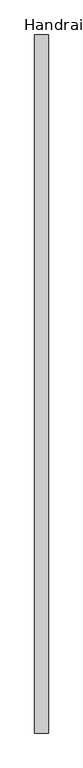
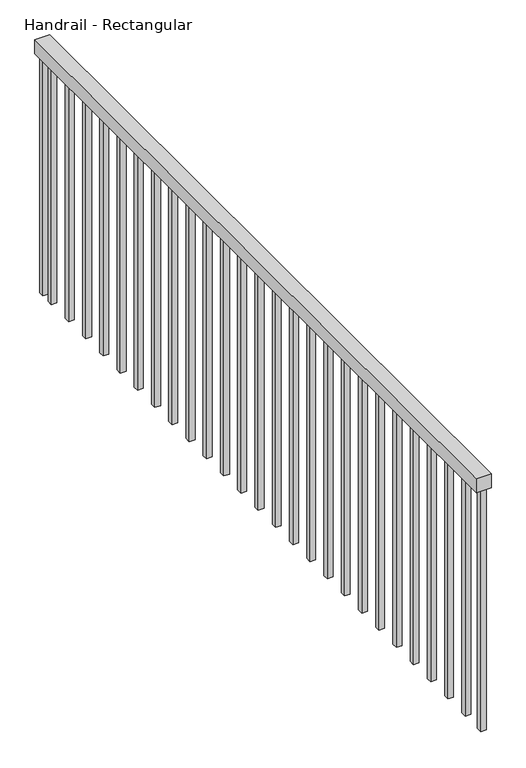
"""IFC4 building model written with IfcOpenShell, lengths in millimetres: railing geometry, Handrail - Rectangular."""

from ifc_helpers import new_model, si_unit, frame, origin, origin_with_axes, place, context, project, spatial, polyline, outline, extrude, source, transform, mapped, element, save


def handrail_rectangular_7905ced4(model_context):
    return source(origin(), model_context, "Body", "SweptSolid", [
        extrude(outline(polyline([(68099.923353, 1906.657897), (68049.123353, 1906.657897), (68049.123353, 4506.657897), (68099.923353, 4506.657897), (68099.923353, 1906.657897)])), frame((0.0, 0.0, 863.6), z_axis=(0.0, 0.0, 1.0), x_axis=(1.0, 0.0, 0.0)), (0.0, 0.0, 1.0), 50.8),
        extrude(outline(polyline([(68084.048353, 4437.132897), (68064.998353, 4437.132897), (68064.998353, 4456.182897), (68084.048353, 4456.182897), (68084.048353, 4437.132897)])), origin_with_axes(), (0.0, 0.0, 1.0), 863.6),
        extrude(outline(polyline([(68084.048353, 4335.532897), (68064.998353, 4335.532897), (68064.998353, 4354.582897), (68084.048353, 4354.582897), (68084.048353, 4335.532897)])), origin_with_axes(), (0.0, 0.0, 1.0), 863.6),
        extrude(outline(polyline([(68084.048353, 4233.932897), (68064.998353, 4233.932897), (68064.998353, 4252.982897), (68084.048353, 4252.982897), (68084.048353, 4233.932897)])), origin_with_axes(), (0.0, 0.0, 1.0), 863.6),
        extrude(outline(polyline([(68084.048353, 4132.332897), (68064.998353, 4132.332897), (68064.998353, 4151.382897), (68084.048353, 4151.382897), (68084.048353, 4132.332897)])), origin_with_axes(), (0.0, 0.0, 1.0), 863.6),
        extrude(outline(polyline([(68084.048353, 4030.732897), (68064.998353, 4030.732897), (68064.998353, 4049.782897), (68084.048353, 4049.782897), (68084.048353, 4030.732897)])), origin_with_axes(), (0.0, 0.0, 1.0), 863.6),
        extrude(outline(polyline([(68084.048353, 3929.132897), (68064.998353, 3929.132897), (68064.998353, 3948.182897), (68084.048353, 3948.182897), (68084.048353, 3929.132897)])), origin_with_axes(), (0.0, 0.0, 1.0), 863.6),
        extrude(outline(polyline([(68084.048353, 3827.532897), (68064.998353, 3827.532897), (68064.998353, 3846.582897), (68084.048353, 3846.582897), (68084.048353, 3827.532897)])), origin_with_axes(), (0.0, 0.0, 1.0), 863.6),
        extrude(outline(polyline([(68084.048353, 3725.932897), (68064.998353, 3725.932897), (68064.998353, 3744.982897), (68084.048353, 3744.982897), (68084.048353, 3725.932897)])), origin_with_axes(), (0.0, 0.0, 1.0), 863.6),
        extrude(outline(polyline([(68084.048353, 3624.332897), (68064.998353, 3624.332897), (68064.998353, 3643.382897), (68084.048353, 3643.382897), (68084.048353, 3624.332897)])), origin_with_axes(), (0.0, 0.0, 1.0), 863.6),
        extrude(outline(polyline([(68084.048353, 3522.732897), (68064.998353, 3522.732897), (68064.998353, 3541.782897), (68084.048353, 3541.782897), (68084.048353, 3522.732897)])), origin_with_axes(), (0.0, 0.0, 1.0), 863.6),
        extrude(outline(polyline([(68084.048353, 3421.132897), (68064.998353, 3421.132897), (68064.998353, 3440.182897), (68084.048353, 3440.182897), (68084.048353, 3421.132897)])), origin_with_axes(), (0.0, 0.0, 1.0), 863.6),
        extrude(outline(polyline([(68084.048353, 3319.532897), (68064.998353, 3319.532897), (68064.998353, 3338.582897), (68084.048353, 3338.582897), (68084.048353, 3319.532897)])), origin_with_axes(), (0.0, 0.0, 1.0), 863.6),
        extrude(outline(polyline([(68084.048353, 3217.932897), (68064.998353, 3217.932897), (68064.998353, 3236.982897), (68084.048353, 3236.982897), (68084.048353, 3217.932897)])), origin_with_axes(), (0.0, 0.0, 1.0), 863.6),
        extrude(outline(polyline([(68084.048353, 3116.332897), (68064.998353, 3116.332897), (68064.998353, 3135.382897), (68084.048353, 3135.382897), (68084.048353, 3116.332897)])), origin_with_axes(), (0.0, 0.0, 1.0), 863.6),
        extrude(outline(polyline([(68084.048353, 3014.732897), (68064.998353, 3014.732897), (68064.998353, 3033.782897), (68084.048353, 3033.782897), (68084.048353, 3014.732897)])), origin_with_axes(), (0.0, 0.0, 1.0), 863.6),
        extrude(outline(polyline([(68084.048353, 2913.132897), (68064.998353, 2913.132897), (68064.998353, 2932.182897), (68084.048353, 2932.182897), (68084.048353, 2913.132897)])), origin_with_axes(), (0.0, 0.0, 1.0), 863.6),
        extrude(outline(polyline([(68084.048353, 2811.532897), (68064.998353, 2811.532897), (68064.998353, 2830.582897), (68084.048353, 2830.582897), (68084.048353, 2811.532897)])), origin_with_axes(), (0.0, 0.0, 1.0), 863.6),
        extrude(outline(polyline([(68084.048353, 2709.932897), (68064.998353, 2709.932897), (68064.998353, 2728.982897), (68084.048353, 2728.982897), (68084.048353, 2709.932897)])), origin_with_axes(), (0.0, 0.0, 1.0), 863.6),
        extrude(outline(polyline([(68084.048353, 2608.332897), (68064.998353, 2608.332897), (68064.998353, 2627.382897), (68084.048353, 2627.382897), (68084.048353, 2608.332897)])), origin_with_axes(), (0.0, 0.0, 1.0), 863.6),
        extrude(outline(polyline([(68084.048353, 2506.732897), (68064.998353, 2506.732897), (68064.998353, 2525.782897), (68084.048353, 2525.782897), (68084.048353, 2506.732897)])), origin_with_axes(), (0.0, 0.0, 1.0), 863.6),
        extrude(outline(polyline([(68084.048353, 2405.132897), (68064.998353, 2405.132897), (68064.998353, 2424.182897), (68084.048353, 2424.182897), (68084.048353, 2405.132897)])), origin_with_axes(), (0.0, 0.0, 1.0), 863.6),
        extrude(outline(polyline([(68084.048353, 2303.532897), (68064.998353, 2303.532897), (68064.998353, 2322.582897), (68084.048353, 2322.582897), (68084.048353, 2303.532897)])), origin_with_axes(), (0.0, 0.0, 1.0), 863.6),
        extrude(outline(polyline([(68084.048353, 2201.932897), (68064.998353, 2201.932897), (68064.998353, 2220.982897), (68084.048353, 2220.982897), (68084.048353, 2201.932897)])), origin_with_axes(), (0.0, 0.0, 1.0), 863.6),
        extrude(outline(polyline([(68084.048353, 2100.332897), (68064.998353, 2100.332897), (68064.998353, 2119.382897), (68084.048353, 2119.382897), (68084.048353, 2100.332897)])), origin_with_axes(), (0.0, 0.0, 1.0), 863.6),
        extrude(outline(polyline([(68084.048353, 1998.732897), (68064.998353, 1998.732897), (68064.998353, 2017.782897), (68084.048353, 2017.782897), (68084.048353, 1998.732897)])), origin_with_axes(), (0.0, 0.0, 1.0), 863.6),
        extrude(outline(polyline([(68084.048353, 4487.607897), (68064.998353, 4487.607897), (68064.998353, 4506.657897), (68084.048353, 4506.657897), (68084.048353, 4487.607897)])), origin_with_axes(), (0.0, 0.0, 1.0), 863.6),
        extrude(outline(polyline([(68084.048353, 1906.657897), (68064.998353, 1906.657897), (68064.998353, 1925.707897), (68084.048353, 1925.707897), (68084.048353, 1906.657897)])), origin_with_axes(), (0.0, 0.0, 1.0), 863.6),
    ])


if __name__ == "__main__":
    model = new_model("IFC4")
    model_context = context("Model", 3, world=origin())
    ifc_project = project(units=[si_unit("LENGTHUNIT", "METRE", prefix="MILLI")], contexts=[model_context])
    site = spatial("IfcSite", under=ifc_project)
    building = spatial("IfcBuilding", under=site)
    placement = place(None, origin())
    handrail_rectangular_shape = handrail_rectangular_7905ced4(model_context)
    element("IfcRailing", 1, ObjectType="Handrail - Rectangular", at=placement, inside=building, context=model_context, shape_type="MappedRepresentation", body=[
        mapped(handrail_rectangular_shape, transform((0.0, 0.0, 0.0), x_axis=(1.0, 0.0, 0.0), y_axis=(0.0, 1.0, 0.0), z_axis=(0.0, 0.0, 1.0))),
    ])
    save(model, "model.ifc")
